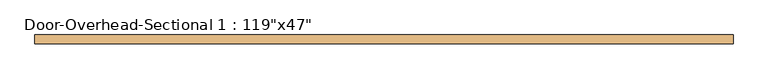
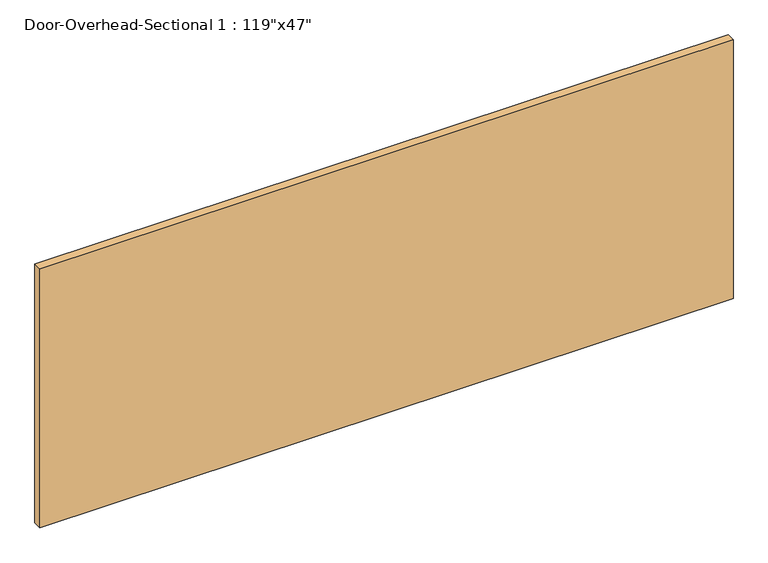
"""IFC4 building model written with IfcOpenShell, lengths in millimetres: door geometry."""

from ifc_helpers import new_model, si_unit, origin, origin_with_axes, place, context, project, spatial, polyline, outline, extrude, source, transform, mapped, element, save


def door_26c6c5d6(model_context):
    return source(origin(), model_context, "Body", "SweptSolid", [
        extrude(outline(polyline([(1511.3, -63.5), (1511.3, -101.6), (-1511.3, -101.6), (-1511.3, -63.5), (1511.3, -63.5)])), origin_with_axes(), (0.0, 0.0, 1.0), 1193.8),
    ])


if __name__ == "__main__":
    model = new_model("IFC4")
    model_context = context("Model", 3, world=origin())
    ifc_project = project(units=[si_unit("LENGTHUNIT", "METRE", prefix="MILLI")], contexts=[model_context])
    site = spatial("IfcSite", under=ifc_project)
    building = spatial("IfcBuilding", under=site)
    placement = place(None, origin())
    door_shape = door_26c6c5d6(model_context)
    element("IfcDoor", 1, ObjectType="Door-Overhead-Sectional 1 : 119\"x47\"", at=placement, inside=building, context=model_context, shape_type="MappedRepresentation", body=[
        mapped(door_shape, transform((0.0, 0.0, 0.0), x_axis=(1.0, 0.0, 0.0), y_axis=(0.0, 1.0, 0.0), z_axis=(0.0, 0.0, 1.0))),
    ])
    save(model, "model.ifc")
